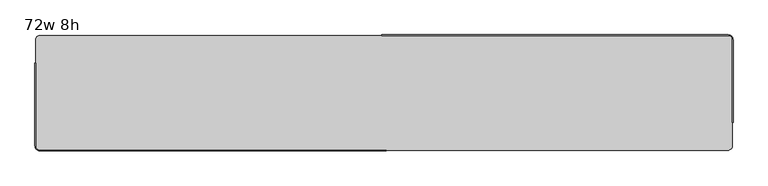
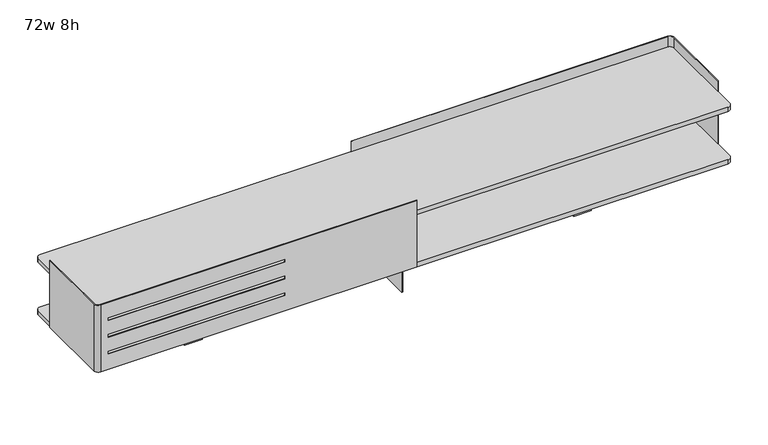
"""IFC4 building model written with IfcOpenShell, lengths in millimetres: furniture geometry, 72w 8h."""

from ifc_helpers import new_model, si_unit, point, frame, frame_2d, origin, place, context, project, spatial, polyline, circle_curve, trimmed, segment, composite_curve, outline, extrude, source, transform, mapped, element, save
from ifc_brep_helpers import plane_surface, cylinder_surface, revolved_surface, advanced_brep


def furniture_72w_8h_7d28a66c(model_context):
    return source(origin(), model_context, "Body", "SolidModel", [
        extrude(outline(polyline([(6.35, 493.7125), (6.35, 265.1125), (-6.35, 265.1125), (-6.35, 493.7125), (6.35, 493.7125)])), frame((0.0, 0.0, 860.4250242), z_axis=(0.0, 0.0, 1.0), x_axis=(1.0, 0.0, 0.0)), (0.0, 0.0, 1.0), 146.637343),
        advanced_brep(
        [(901.7, 493.7125, 1050.925), (912.8125, 482.6, 1050.925), (912.8125, 265.1125, 1050.925), (914.4, 265.1125, 1050.925), (914.4, 482.6, 1050.925), (901.7, 495.3, 1050.925), (-6.35, 495.3, 1050.925), (-6.35, 493.7125, 1050.925), (901.7, 493.7125, 847.725), (-6.35, 493.7125, 847.725), (-6.35, 495.3, 847.725), (901.7, 495.3, 847.725), (914.4, 482.6, 847.725), (914.4, 265.1125, 847.725), (912.8125, 265.1125, 847.725), (912.8125, 482.6, 847.725), (880.3639961, 493.7125, 902.4144186), (880.3639961, 493.7125, 894.1593992), (372.3639961, 493.7125, 894.1593992), (372.3639961, 493.7125, 902.4144186), (880.3639961, 493.7125, 1004.0143944), (880.3639961, 493.7125, 995.759375), (372.3639961, 493.7125, 995.759375), (372.3639961, 493.7125, 1004.0143944), (880.3639961, 493.7125, 953.2144065), (880.3639961, 493.7125, 944.9593871), (372.3639961, 493.7125, 944.9593871), (372.3639961, 493.7125, 953.2144065), (880.3639961, 495.3, 894.1593992), (880.3639961, 495.3, 902.4144186), (372.3639961, 495.3, 902.4144186), (372.3639961, 495.3, 894.1593992), (880.3639961, 495.3, 995.759375), (880.3639961, 495.3, 1004.0143944), (372.3639961, 495.3, 1004.0143944), (372.3639961, 495.3, 995.759375), (880.3639961, 495.3, 944.9593871), (880.3639961, 495.3, 953.2144065), (372.3639961, 495.3, 953.2144065), (372.3639961, 495.3, 944.9593871)],
        [
            (0, 1, circle_curve(frame((901.7, 482.6, 1050.925), z_axis=(0.0, 0.0, -1.0), x_axis=(1.0, 0.0, 0.0)), 11.1125)),
            (1, 2),
            (2, 3),
            (3, 4),
            (4, 5, circle_curve(frame((901.7, 482.6, 1050.925), z_axis=(0.0, 0.0, 1.0), x_axis=(1.0, 0.0, 0.0)), 12.7)),
            (5, 6),
            (6, 7),
            (7, 0),
            (8, 9),
            (9, 10),
            (10, 11),
            (11, 12, circle_curve(frame((901.7, 482.6, 847.725), z_axis=(0.0, 0.0, -1.0), x_axis=(1.0, 0.0, 0.0)), 12.7)),
            (12, 13),
            (13, 14),
            (14, 15),
            (15, 8, circle_curve(frame((901.7, 482.6, 847.725), z_axis=(0.0, 0.0, 1.0), x_axis=(1.0, 0.0, 0.0)), 11.1125)),
            (7, 9),
            (8, 0),
            (16, 17),
            (17, 18),
            (18, 19),
            (19, 16),
            (20, 21),
            (21, 22),
            (22, 23),
            (23, 20),
            (24, 25),
            (25, 26),
            (26, 27),
            (27, 24),
            (5, 11),
            (10, 6),
            (28, 29),
            (29, 30),
            (30, 31),
            (31, 28),
            (32, 33),
            (33, 34),
            (34, 35),
            (35, 32),
            (36, 37),
            (37, 38),
            (38, 39),
            (39, 36),
            (15, 1),
            (14, 2),
            (13, 3),
            (12, 4),
            (16, 29),
            (28, 17),
            (31, 18),
            (30, 19),
            (20, 33),
            (32, 21),
            (35, 22),
            (34, 23),
            (24, 37),
            (36, 25),
            (39, 26),
            (38, 27),
        ],
        [
            plane_surface(frame((912.8125, 482.6, 1050.925), z_axis=(0.0, 0.0, 1.0), x_axis=(0.0, -1.0, 0.0))),
            plane_surface(frame((912.8125, 482.6, 847.725), z_axis=(0.0, 0.0, -1.0), x_axis=(0.0, 1.0, 0.0))),
            plane_surface(frame((-6.35, 493.7125, 1050.925), z_axis=(0.0, -1.0, 0.0), x_axis=(0.0, 0.0, -1.0))),
            plane_surface(frame((901.7, 495.3, 1050.925), z_axis=(0.0, 1.0, 0.0), x_axis=(0.0, 0.0, -1.0))),
            revolved_surface(polyline([(912.8125, 482.6, 847.725), (912.8125, 482.6, 1050.925)]), (901.7, 482.6, 847.725), (0.0, 0.0, -1.0)),
            plane_surface(frame((912.8125, 482.6, 1050.925), z_axis=(-1.0, 0.0, 0.0), x_axis=(0.0, 0.0, -1.0))),
            plane_surface(frame((912.8125, 265.1125, 1050.925), z_axis=(0.0, -1.0, 0.0), x_axis=(0.0, 0.0, -1.0))),
            plane_surface(frame((914.4, 265.1125, 1050.925), z_axis=(1.0, 0.0, 0.0), x_axis=(0.0, 0.0, -1.0))),
            cylinder_surface(frame((901.7, 482.6, 847.725), z_axis=(0.0, 0.0, 1.0), x_axis=(1.0, 0.0, 0.0)), 12.7),
            plane_surface(frame((880.3639961, 553.8218239, 902.4144186), z_axis=(-1.0, 0.0, 0.0), x_axis=(0.0, -1.0, 0.0))),
            plane_surface(frame((880.3639961, 553.8218239, 894.1593992), z_axis=(0.0, 0.0, 1.0), x_axis=(0.0, -1.0, 0.0))),
            plane_surface(frame((372.3639961, 553.8218239, 894.1593992), z_axis=(1.0, 0.0, 0.0), x_axis=(0.0, -1.0, 0.0))),
            plane_surface(frame((372.3639961, 553.8218239, 902.4144186), z_axis=(0.0, 0.0, -1.0), x_axis=(0.0, -1.0, 0.0))),
            plane_surface(frame((880.3639961, 553.8218239, 1004.0143944), z_axis=(-1.0, 0.0, 0.0), x_axis=(0.0, -1.0, 0.0))),
            plane_surface(frame((880.3639961, 553.8218239, 995.759375), z_axis=(0.0, 0.0, 1.0), x_axis=(0.0, -1.0, 0.0))),
            plane_surface(frame((372.3639961, 553.8218239, 995.759375), z_axis=(1.0, 0.0, 0.0), x_axis=(0.0, -1.0, 0.0))),
            plane_surface(frame((372.3639961, 553.8218239, 1004.0143944), z_axis=(0.0, 0.0, -1.0), x_axis=(0.0, -1.0, 0.0))),
            plane_surface(frame((880.3639961, 553.8218239, 953.2144065), z_axis=(-1.0, 0.0, 0.0), x_axis=(0.0, -1.0, 0.0))),
            plane_surface(frame((880.3639961, 553.8218239, 944.9593871), z_axis=(0.0, 0.0, 1.0), x_axis=(0.0, -1.0, 0.0))),
            plane_surface(frame((372.3639961, 553.8218239, 944.9593871), z_axis=(1.0, 0.0, 0.0), x_axis=(0.0, -1.0, 0.0))),
            plane_surface(frame((372.3639961, 553.8218239, 953.2144065), z_axis=(0.0, 0.0, -1.0), x_axis=(0.0, -1.0, 0.0))),
            plane_surface(frame((-6.35, 495.3, 1050.925), z_axis=(-1.0, 0.0, 0.0), x_axis=(0.0, 0.0, -1.0))),
        ],
        [
            (0, [[1, 2, 3, 4, 5, 6, 7, 8]]),
            (1, [[9, 10, 11, 12, 13, 14, 15, 16]]),
            (2, [[-8, 17, -9, 18], [19, 20, 21, 22], [23, 24, 25, 26], [27, 28, 29, 30]]),
            (3, [[-6, 31, -11, 32], [33, 34, 35, 36], [37, 38, 39, 40], [41, 42, 43, 44]]),
            (4, [[-1, -18, -16, 45]]),
            (5, [[-2, -45, -15, 46]]),
            (6, [[-3, -46, -14, 47]]),
            (7, [[-4, -47, -13, 48]]),
            (8, [[-5, -48, -12, -31]]),
            (9, [[49, -33, 50, -19]]),
            (10, [[-50, -36, 51, -20]]),
            (11, [[-51, -35, 52, -21]]),
            (12, [[-49, -22, -52, -34]]),
            (13, [[53, -37, 54, -23]]),
            (14, [[-54, -40, 55, -24]]),
            (15, [[-55, -39, 56, -25]]),
            (16, [[-53, -26, -56, -38]]),
            (17, [[57, -41, 58, -27]]),
            (18, [[-58, -44, 59, -28]]),
            (19, [[-59, -43, 60, -29]]),
            (20, [[-57, -30, -60, -42]]),
            (21, [[-7, -32, -10, -17]]),
        ],
    ),
        advanced_brep(
        [(-901.7, 192.0875, 1050.925), (-912.8125, 203.2, 1050.925), (-912.8125, 420.6875, 1050.925), (-914.4, 420.6875, 1050.925), (-914.4, 203.2, 1050.925), (-901.7, 190.5, 1050.925), (6.35, 190.5, 1050.925), (6.35, 192.0875, 1050.925), (-901.7, 192.0875, 847.725), (6.35, 192.0875, 847.725), (6.35, 190.5, 847.725), (-901.7, 190.5, 847.725), (-914.4, 203.2, 847.725), (-914.4, 420.6875, 847.725), (-912.8125, 420.6875, 847.725), (-912.8125, 203.2, 847.725), (-880.3639961, 190.5, 894.1593992), (-880.3639961, 192.0875, 894.1593992), (-880.3639961, 192.0875, 902.4144186), (-880.3639961, 190.5, 902.4144186), (-372.3639961, 190.5, 894.1593992), (-372.3639961, 192.0875, 894.1593992), (-372.3639961, 190.5, 902.4144186), (-372.3639961, 192.0875, 902.4144186), (-880.3639961, 190.5, 995.759375), (-880.3639961, 192.0875, 995.759375), (-880.3639961, 192.0875, 1004.0143944), (-880.3639961, 190.5, 1004.0143944), (-372.3639961, 190.5, 995.759375), (-372.3639961, 192.0875, 995.759375), (-372.3639961, 190.5, 1004.0143944), (-372.3639961, 192.0875, 1004.0143944), (-880.3639961, 190.5, 944.9593871), (-880.3639961, 192.0875, 944.9593871), (-880.3639961, 192.0875, 953.2144065), (-880.3639961, 190.5, 953.2144065), (-372.3639961, 190.5, 944.9593871), (-372.3639961, 192.0875, 944.9593871), (-372.3639961, 190.5, 953.2144065), (-372.3639961, 192.0875, 953.2144065)],
        [
            (0, 1, circle_curve(frame((-901.7, 203.2, 1050.925), z_axis=(0.0, 0.0, -1.0), x_axis=(1.0, 0.0, 0.0)), 11.1125)),
            (1, 2),
            (2, 3),
            (3, 4),
            (4, 5, circle_curve(frame((-901.7, 203.2, 1050.925), z_axis=(0.0, 0.0, 1.0), x_axis=(1.0, 0.0, 0.0)), 12.7)),
            (5, 6),
            (6, 7),
            (7, 0),
            (8, 9),
            (9, 10),
            (10, 11),
            (11, 12, circle_curve(frame((-901.7, 203.2, 847.725), z_axis=(0.0, 0.0, -1.0), x_axis=(1.0, 0.0, 0.0)), 12.7)),
            (12, 13),
            (13, 14),
            (14, 15),
            (15, 8, circle_curve(frame((-901.7, 203.2, 847.725), z_axis=(0.0, 0.0, 1.0), x_axis=(1.0, 0.0, 0.0)), 11.1125)),
            (16, 17),
            (17, 18),
            (18, 19),
            (19, 16),
            (16, 20),
            (20, 21),
            (21, 17),
            (20, 22),
            (22, 23),
            (23, 21),
            (22, 19),
            (18, 23),
            (24, 25),
            (25, 26),
            (26, 27),
            (27, 24),
            (24, 28),
            (28, 29),
            (29, 25),
            (28, 30),
            (30, 31),
            (31, 29),
            (30, 27),
            (26, 31),
            (32, 33),
            (33, 34),
            (34, 35),
            (35, 32),
            (32, 36),
            (36, 37),
            (37, 33),
            (36, 38),
            (38, 39),
            (39, 37),
            (38, 35),
            (34, 39),
            (0, 8),
            (15, 1),
            (14, 2),
            (13, 3),
            (12, 4),
            (11, 5),
            (10, 6),
            (9, 7),
        ],
        [
            plane_surface(frame((912.8125, 482.6, 1050.925), z_axis=(0.0, 0.0, 1.0), x_axis=(0.0, -1.0, 0.0))),
            plane_surface(frame((912.8125, 482.6, 847.725), z_axis=(0.0, 0.0, -1.0), x_axis=(0.0, 1.0, 0.0))),
            plane_surface(frame((-880.3639961, 553.8218239, 894.1593992), z_axis=(1.0, 0.0, 0.0), x_axis=(0.0, -1.0, 0.0))),
            plane_surface(frame((-372.3639961, 553.8218239, 894.1593992), z_axis=(0.0, 0.0, 1.0), x_axis=(0.0, -1.0, 0.0))),
            plane_surface(frame((-372.3639961, 553.8218239, 902.4144186), z_axis=(-1.0, 0.0, 0.0), x_axis=(0.0, -1.0, 0.0))),
            plane_surface(frame((-880.3639961, 553.8218239, 902.4144186), z_axis=(0.0, 0.0, -1.0), x_axis=(0.0, -1.0, 0.0))),
            plane_surface(frame((-880.3639961, 553.8218239, 995.759375), z_axis=(1.0, 0.0, 0.0), x_axis=(0.0, -1.0, 0.0))),
            plane_surface(frame((-372.3639961, 553.8218239, 995.759375), z_axis=(0.0, 0.0, 1.0), x_axis=(0.0, -1.0, 0.0))),
            plane_surface(frame((-372.3639961, 553.8218239, 1004.0143944), z_axis=(-1.0, 0.0, 0.0), x_axis=(0.0, -1.0, 0.0))),
            plane_surface(frame((-880.3639961, 553.8218239, 1004.0143944), z_axis=(0.0, 0.0, -1.0), x_axis=(0.0, -1.0, 0.0))),
            plane_surface(frame((-880.3639961, 553.8218239, 944.9593871), z_axis=(1.0, 0.0, 0.0), x_axis=(0.0, -1.0, 0.0))),
            plane_surface(frame((-372.3639961, 553.8218239, 944.9593871), z_axis=(0.0, 0.0, 1.0), x_axis=(0.0, -1.0, 0.0))),
            plane_surface(frame((-372.3639961, 553.8218239, 953.2144065), z_axis=(-1.0, 0.0, 0.0), x_axis=(0.0, -1.0, 0.0))),
            plane_surface(frame((-880.3639961, 553.8218239, 953.2144065), z_axis=(0.0, 0.0, -1.0), x_axis=(0.0, -1.0, 0.0))),
            revolved_surface(polyline([(-890.5875000000001, 203.2, 847.725), (-890.5875000000001, 203.2, 1050.925)]), (-901.7, 203.2, 0.0), (0.0, 0.0, -1.0)),
            plane_surface(frame((-912.8125, 203.2, 1050.925), z_axis=(1.0, 0.0, 0.0), x_axis=(0.0, 0.0, -1.0))),
            plane_surface(frame((-912.8125, 420.6875, 1050.925), z_axis=(0.0, 1.0, 0.0), x_axis=(0.0, 0.0, -1.0))),
            plane_surface(frame((-914.4, 420.6875, 1050.925), z_axis=(-1.0, 0.0, 0.0), x_axis=(0.0, 0.0, -1.0))),
            cylinder_surface(frame((-901.7, 203.2, 0.0), z_axis=(0.0, 0.0, 1.0), x_axis=(1.0, 0.0, 0.0)), 12.7),
            plane_surface(frame((-901.7, 190.5, 1050.925), z_axis=(0.0, -1.0, 0.0), x_axis=(0.0, 0.0, -1.0))),
            plane_surface(frame((6.35, 190.5, 1050.925), z_axis=(1.0, 0.0, 0.0), x_axis=(0.0, 0.0, -1.0))),
            plane_surface(frame((6.35, 192.0875, 1050.925), z_axis=(0.0, 1.0, 0.0), x_axis=(0.0, 0.0, -1.0))),
        ],
        [
            (0, [[1, 2, 3, 4, 5, 6, 7, 8]]),
            (1, [[9, 10, 11, 12, 13, 14, 15, 16]]),
            (2, [[17, 18, 19, 20]]),
            (3, [[-17, 21, 22, 23]]),
            (4, [[-22, 24, 25, 26]]),
            (5, [[-25, 27, -19, 28]]),
            (6, [[29, 30, 31, 32]]),
            (7, [[-29, 33, 34, 35]]),
            (8, [[-34, 36, 37, 38]]),
            (9, [[-37, 39, -31, 40]]),
            (10, [[41, 42, 43, 44]]),
            (11, [[-41, 45, 46, 47]]),
            (12, [[-46, 48, 49, 50]]),
            (13, [[-49, 51, -43, 52]]),
            (14, [[-1, 53, -16, 54]]),
            (15, [[-2, -54, -15, 55]]),
            (16, [[-3, -55, -14, 56]]),
            (17, [[-4, -56, -13, 57]]),
            (18, [[-5, -57, -12, 58]]),
            (19, [[-6, -58, -11, 59], [-20, -27, -24, -21], [-32, -39, -36, -33], [-44, -51, -48, -45]]),
            (20, [[-7, -59, -10, 60]]),
            (21, [[-8, -60, -9, -53], [-18, -23, -26, -28], [-30, -35, -38, -40], [-42, -47, -50, -52]]),
        ],
    ),
        extrude(outline(polyline([(-533.4, 361.95), (-533.4, 323.453125), (-584.2, 323.453125), (-584.2, 361.95), (-533.4, 361.95)])), frame((0.0, 0.0, 736.6), z_axis=(0.0, 0.0, 1.0), x_axis=(1.0, 0.0, 0.0)), (0.0, 0.0, 1.0), 111.125),
        extrude(outline(polyline([(533.4, 361.95), (584.2, 361.95), (584.2, 323.453125), (533.4, 323.453125), (533.4, 361.95)])), frame((0.0, 0.0, 736.6), z_axis=(0.0, 0.0, 1.0), x_axis=(1.0, 0.0, 0.0)), (0.0, 0.0, 1.0), 111.125),
        extrude(outline(polyline([(1.5875, 433.3841935), (1.5875, 252.4158065), (-1.5875, 252.4158065), (-1.5875, 433.3841935), (1.5875, 433.3841935)])), frame((0.0, 0.0, 736.6), z_axis=(0.0, 0.0, 1.0), x_axis=(1.0, 0.0, 0.0)), (0.0, 0.0, 1.0), 111.125),
        extrude(outline(composite_curve([segment(trimmed(circle_curve(frame_2d((900.1125, 481.0125)), 12.7), [point((900.1125, 493.7125))], [point((912.8125, 481.0125))], False, "CARTESIAN"), True, "CONTINUOUS"), segment(polyline([(912.8125, 481.0125), (912.8125, 204.7875)]), True, "CONTINUOUS"), segment(trimmed(circle_curve(frame_2d((900.1125, 204.7875)), 12.7), [point((912.8125, 204.7875))], [point((900.1125, 192.0875))], False, "CARTESIAN"), True, "CONTINUOUS"), segment(polyline([(900.1125, 192.0875), (-900.1125, 192.0875)]), True, "CONTINUOUS"), segment(trimmed(circle_curve(frame_2d((-900.1125, 204.7875)), 12.7), [point((-900.1125, 192.0875))], [point((-912.8125, 204.7875))], False, "CARTESIAN"), True, "CONTINUOUS"), segment(polyline([(-912.8125, 204.7875), (-912.8125, 481.0125)]), True, "CONTINUOUS"), segment(trimmed(circle_curve(frame_2d((-900.1125, 481.0125)), 12.7), [point((-912.8125, 481.0125))], [point((-900.1125, 493.7125))], False, "CARTESIAN"), True, "CONTINUOUS"), segment(polyline([(-900.1125, 493.7125), (900.1125, 493.7125)]), True, "CONTINUOUS")], self_intersect=False)), frame((0.0, 0.0, 1007.0623672), z_axis=(0.0, 0.0, 1.0), x_axis=(1.0, 0.0, 0.0)), (0.0, 0.0, 1.0), 12.7000242),
        extrude(outline(composite_curve([segment(trimmed(circle_curve(frame_2d((900.1125, 481.0125)), 12.7), [point((900.1125, 493.7125))], [point((912.8125, 481.0125))], False, "CARTESIAN"), True, "CONTINUOUS"), segment(polyline([(912.8125, 481.0125), (912.8125, 204.7875)]), True, "CONTINUOUS"), segment(trimmed(circle_curve(frame_2d((900.1125, 204.7875)), 12.7), [point((912.8125, 204.7875))], [point((900.1125, 192.0875))], False, "CARTESIAN"), True, "CONTINUOUS"), segment(polyline([(900.1125, 192.0875), (-900.1125, 192.0875)]), True, "CONTINUOUS"), segment(trimmed(circle_curve(frame_2d((-900.1125, 204.7875)), 12.7), [point((-900.1125, 192.0875))], [point((-912.8125, 204.7875))], False, "CARTESIAN"), True, "CONTINUOUS"), segment(polyline([(-912.8125, 204.7875), (-912.8125, 481.0125)]), True, "CONTINUOUS"), segment(trimmed(circle_curve(frame_2d((-900.1125, 481.0125)), 12.7), [point((-912.8125, 481.0125))], [point((-900.1125, 493.7125))], False, "CARTESIAN"), True, "CONTINUOUS"), segment(polyline([(-900.1125, 493.7125), (900.1125, 493.7125)]), True, "CONTINUOUS")], self_intersect=False)), frame((0.0, 0.0, 847.725), z_axis=(0.0, 0.0, 1.0), x_axis=(1.0, 0.0, 0.0)), (0.0, 0.0, 1.0), 12.7000242),
    ])


if __name__ == "__main__":
    model = new_model("IFC4")
    model_context = context("Model", 3, world=origin())
    ifc_project = project(units=[si_unit("LENGTHUNIT", "METRE", prefix="MILLI")], contexts=[model_context])
    site = spatial("IfcSite", under=ifc_project)
    building = spatial("IfcBuilding", under=site)
    placement = place(None, origin())
    furniture_72w_8h_shape = furniture_72w_8h_7d28a66c(model_context)
    element("IfcFurniture", 1, ObjectType="72w 8h", at=placement, inside=building, context=model_context, shape_type="MappedRepresentation", body=[
        mapped(furniture_72w_8h_shape, transform((0.0, 0.0, 0.0), x_axis=(1.0, 0.0, 0.0), y_axis=(0.0, 1.0, 0.0), z_axis=(0.0, 0.0, 1.0))),
    ])
    save(model, "model.ifc")
